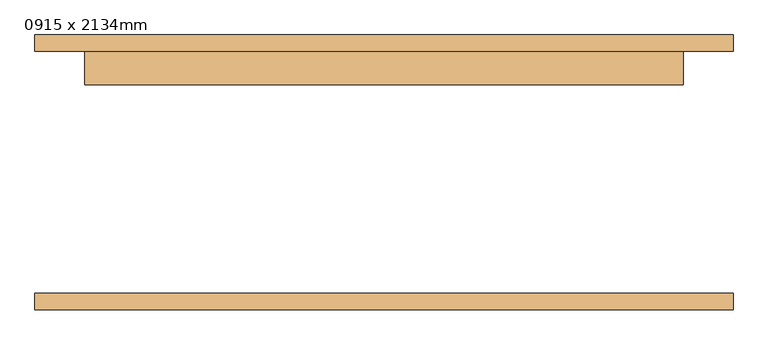
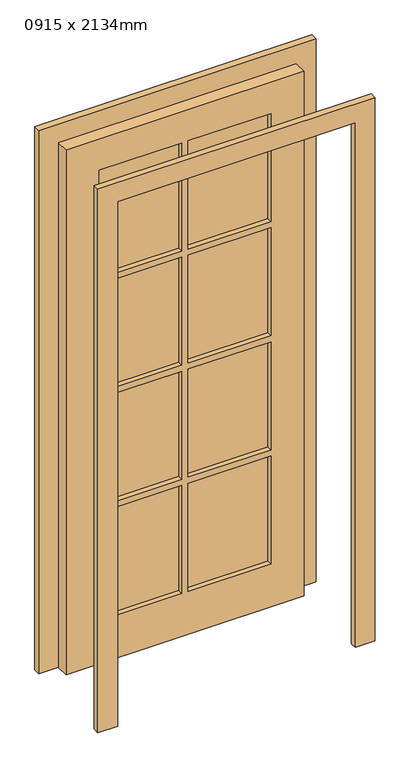
"""IFC4 building model written with IfcOpenShell, lengths in millimetres: door geometry, 0915 x 2134mm."""

from ifc_helpers import new_model, si_unit, frame, origin, place, context, project, spatial, polyline, outline, extrude, source, transform, mapped, element, save


def door_0915_x_2134mm_3e00a1c0(model_context):
    return source(origin(), model_context, "Body", "SweptSolid", [
        extrude(outline(polyline([(2210.0, 558.9), (2210.0, -508.1), (0.0, -508.1), (0.0, -432.1), (2134.0, -432.1), (2134.0, 482.9), (0.0, 482.9), (0.0, 558.9), (2210.0, 558.9)])), frame((0.0, -210.0, 0.0), z_axis=(0.0, 1.0, 0.0), x_axis=(0.0, 0.0, 1.0)), (0.0, 0.0, 1.0), 25.0),
        extrude(outline(polyline([(2210.0, -508.1), (0.0, -508.1), (0.0, -432.1), (2134.0, -432.1), (2134.0, 482.9), (0.0, 482.9), (0.0, 558.9), (2210.0, 558.9), (2210.0, -508.1)])), frame((0.0, 185.0, 0.0), z_axis=(0.0, 1.0, 0.0), x_axis=(0.0, 0.0, 1.0)), (0.0, 0.0, 1.0), 25.0),
        extrude(outline(polyline([(2134.0, 482.9), (2134.0, -432.1), (0.0, -432.1), (0.0, 482.9), (2134.0, 482.9)]), holes=[polyline([(2007.4, 12.9), (1568.05, 12.9), (1568.05, -305.1), (2007.4, -305.1), (2007.4, 12.9)]), polyline([(2007.4, 355.9), (1568.05, 355.9), (1568.05, 37.9), (2007.4, 37.9), (2007.4, 355.9)]), polyline([(1543.05, 12.9), (1103.7, 12.9), (1103.7, -305.1), (1543.05, -305.1), (1543.05, 12.9)]), polyline([(1543.05, 355.9), (1103.7, 355.9), (1103.7, 37.9), (1543.05, 37.9), (1543.05, 355.9)]), polyline([(1078.7, 12.9), (639.35, 12.9), (639.35, -305.1), (1078.7, -305.1), (1078.7, 12.9)]), polyline([(1078.7, 355.9), (639.35, 355.9), (639.35, 37.9), (1078.7, 37.9), (1078.7, 355.9)]), polyline([(614.35, 12.9), (175.0, 12.9), (175.0, -305.1), (614.35, -305.1), (614.35, 12.9)]), polyline([(614.35, 355.9), (175.0, 355.9), (175.0, 37.9), (614.35, 37.9), (614.35, 355.9)])]), frame((0.0, 134.0, 0.0), z_axis=(0.0, 1.0, 0.0), x_axis=(0.0, 0.0, 1.0)), (0.0, 0.0, 1.0), 51.0),
        extrude(outline(polyline([(12.9, 153.25), (-305.1, 153.25), (-305.1, 165.75), (12.9, 165.75), (12.9, 153.25)])), frame((0.0, 0.0, 1568.05), z_axis=(0.0, 0.0, 1.0), x_axis=(1.0, 0.0, 0.0)), (0.0, 0.0, 1.0), 439.35),
        extrude(outline(polyline([(355.9, 153.25), (37.9, 153.25), (37.9, 165.75), (355.9, 165.75), (355.9, 153.25)])), frame((0.0, 0.0, 1568.05), z_axis=(0.0, 0.0, 1.0), x_axis=(1.0, 0.0, 0.0)), (0.0, 0.0, 1.0), 439.35),
        extrude(outline(polyline([(355.9, 153.25), (37.9, 153.25), (37.9, 165.75), (355.9, 165.75), (355.9, 153.25)])), frame((0.0, 0.0, 1103.7), z_axis=(0.0, 0.0, 1.0), x_axis=(1.0, 0.0, 0.0)), (0.0, 0.0, 1.0), 439.35),
        extrude(outline(polyline([(12.9, 153.25), (-305.1, 153.25), (-305.1, 165.75), (12.9, 165.75), (12.9, 153.25)])), frame((0.0, 0.0, 1103.7), z_axis=(0.0, 0.0, 1.0), x_axis=(1.0, 0.0, 0.0)), (0.0, 0.0, 1.0), 439.35),
        extrude(outline(polyline([(12.9, 153.25), (-305.1, 153.25), (-305.1, 165.75), (12.9, 165.75), (12.9, 153.25)])), frame((0.0, 0.0, 639.35), z_axis=(0.0, 0.0, 1.0), x_axis=(1.0, 0.0, 0.0)), (0.0, 0.0, 1.0), 439.35),
        extrude(outline(polyline([(355.9, 153.25), (37.9, 153.25), (37.9, 165.75), (355.9, 165.75), (355.9, 153.25)])), frame((0.0, 0.0, 639.35), z_axis=(0.0, 0.0, 1.0), x_axis=(1.0, 0.0, 0.0)), (0.0, 0.0, 1.0), 439.35),
        extrude(outline(polyline([(355.9, 153.25), (37.9, 153.25), (37.9, 165.75), (355.9, 165.75), (355.9, 153.25)])), frame((0.0, 0.0, 175.0), z_axis=(0.0, 0.0, 1.0), x_axis=(1.0, 0.0, 0.0)), (0.0, 0.0, 1.0), 439.35),
        extrude(outline(polyline([(12.9, 153.25), (-305.1, 153.25), (-305.1, 165.75), (12.9, 165.75), (12.9, 153.25)])), frame((0.0, 0.0, 175.0), z_axis=(0.0, 0.0, 1.0), x_axis=(1.0, 0.0, 0.0)), (0.0, 0.0, 1.0), 439.35),
    ])


if __name__ == "__main__":
    model = new_model("IFC4")
    model_context = context("Model", 3, world=origin())
    ifc_project = project(units=[si_unit("LENGTHUNIT", "METRE", prefix="MILLI")], contexts=[model_context])
    site = spatial("IfcSite", under=ifc_project)
    building = spatial("IfcBuilding", under=site)
    placement = place(None, origin())
    door_0915_x_2134mm_shape = door_0915_x_2134mm_3e00a1c0(model_context)
    element("IfcDoor", 1, ObjectType="0915 x 2134mm", at=placement, inside=building, context=model_context, shape_type="MappedRepresentation", body=[
        mapped(door_0915_x_2134mm_shape, transform((0.0, 0.0, 0.0), x_axis=(1.0, 0.0, 0.0), y_axis=(0.0, 1.0, 0.0), z_axis=(0.0, 0.0, 1.0))),
    ])
    save(model, "model.ifc")
